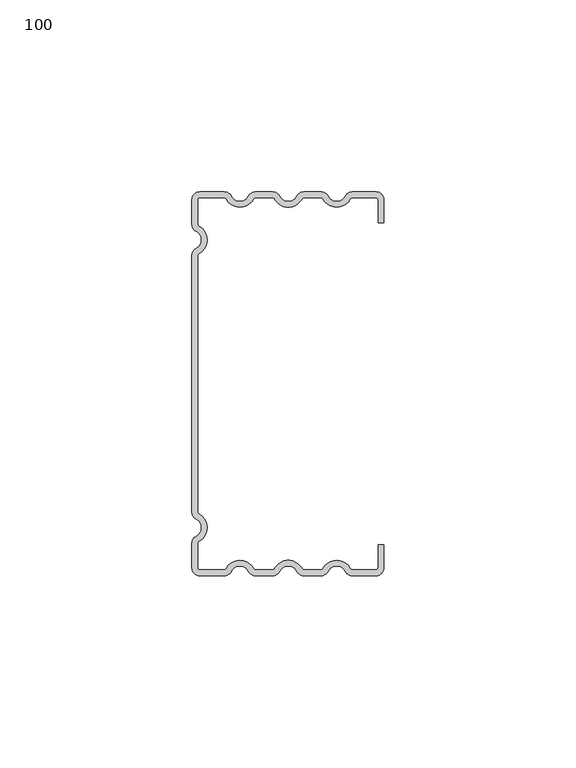
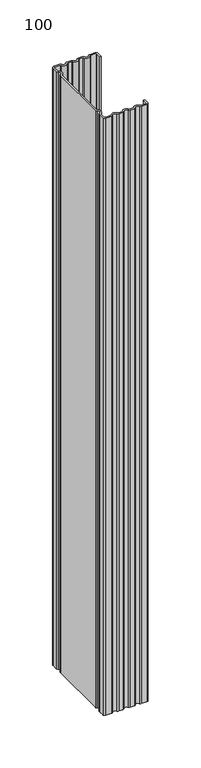
"""IFC4 building model written with IfcOpenShell, lengths in millimetres: proxy geometry, 100."""

from ifc_helpers import new_model, si_unit, point, frame_2d, origin, origin_with_axes, place, context, project, spatial, polyline, circle_curve, trimmed, segment, composite_curve, outline, extrude, source, transform, mapped, element, save


def proxy_100_d57c5b6a(model_context):
    return source(origin(), model_context, "Body", "SweptSolid", [
        extrude(outline(composite_curve([segment(polyline([(50.0, 42.0), (48.5, 42.0), (48.5, 48.0)]), True, "CONTINUOUS"), segment(trimmed(circle_curve(frame_2d((48.0, 48.0)), 0.5), [point((48.5, 48.0))], [point((48.0, 48.5))], True, "CARTESIAN"), True, "CONTINUOUS"), segment(polyline([(48.0, 48.5), (42.0640787, 48.5)]), True, "CONTINUOUS"), segment(trimmed(circle_curve(frame_2d((42.0640787, 47.5)), 1.0), [point((42.0640787, 48.5))], [point((41.1980533, 48.0))], True, "CARTESIAN"), True, "CONTINUOUS"), segment(trimmed(circle_curve(frame_2d((37.7339517, 50.0)), 4.0), [point((41.1980533, 48.0))], [point((34.2698501, 48.0))], False, "CARTESIAN"), True, "CONTINUOUS"), segment(trimmed(circle_curve(frame_2d((33.4038247, 47.5)), 1.0), [point((34.2698501, 48.0))], [point((33.4038247, 48.5))], True, "CARTESIAN"), True, "CONTINUOUS"), segment(polyline([(33.4038247, 48.5), (29.4471029, 48.5)]), True, "CONTINUOUS"), segment(trimmed(circle_curve(frame_2d((29.4471029, 47.5)), 1.0), [point((29.4471029, 48.5))], [point((28.5810775, 48.0))], True, "CARTESIAN"), True, "CONTINUOUS"), segment(trimmed(circle_curve(frame_2d((25.1169759, 50.0)), 4.0), [point((28.5810775, 48.0))], [point((21.6528742, 48.0))], False, "CARTESIAN"), True, "CONTINUOUS"), segment(trimmed(circle_curve(frame_2d((20.7868488, 47.5)), 1.0), [point((21.6528742, 48.0))], [point((20.7868488, 48.5))], True, "CARTESIAN"), True, "CONTINUOUS"), segment(polyline([(20.7868488, 48.5), (16.830127, 48.5)]), True, "CONTINUOUS"), segment(trimmed(circle_curve(frame_2d((16.830127, 47.5)), 1.0), [point((16.830127, 48.5))], [point((15.9641016, 48.0))], True, "CARTESIAN"), True, "CONTINUOUS"), segment(trimmed(circle_curve(frame_2d((12.5, 50.0)), 4.0), [point((15.9641016, 48.0))], [point((9.0358984, 48.0))], False, "CARTESIAN"), True, "CONTINUOUS"), segment(trimmed(circle_curve(frame_2d((8.169873, 47.5)), 1.0), [point((9.0358984, 48.0))], [point((8.169873, 48.5))], True, "CARTESIAN"), True, "CONTINUOUS"), segment(polyline([(8.169873, 48.5), (2.0, 48.5)]), True, "CONTINUOUS"), segment(trimmed(circle_curve(frame_2d((2.0, 48.0)), 0.5), [point((2.0, 48.5))], [point((1.5, 48.0))], True, "CARTESIAN"), True, "CONTINUOUS"), segment(polyline([(1.5, 48.0), (1.5, 41.830127)]), True, "CONTINUOUS"), segment(trimmed(circle_curve(frame_2d((2.5, 41.830127)), 1.0), [point((1.5, 41.830127))], [point((2.0, 40.9641016))], True, "CARTESIAN"), True, "CONTINUOUS"), segment(trimmed(circle_curve(frame_2d((0.0, 37.5)), 4.0), [point((2.0, 40.9641016))], [point((2.0, 34.0358984))], False, "CARTESIAN"), True, "CONTINUOUS"), segment(trimmed(circle_curve(frame_2d((2.5, 33.169873)), 1.0), [point((2.0, 34.0358984))], [point((1.5, 33.169873))], True, "CARTESIAN"), True, "CONTINUOUS"), segment(polyline([(1.5, 33.169873), (1.5, -33.169873)]), True, "CONTINUOUS"), segment(trimmed(circle_curve(frame_2d((2.5, -33.169873)), 1.0), [point((1.5, -33.169873))], [point((2.0, -34.0358984))], True, "CARTESIAN"), True, "CONTINUOUS"), segment(trimmed(circle_curve(frame_2d((0.0, -37.5)), 4.0), [point((2.0, -34.0358984))], [point((2.0, -40.9641016))], False, "CARTESIAN"), True, "CONTINUOUS"), segment(trimmed(circle_curve(frame_2d((2.5, -41.830127)), 1.0), [point((2.0, -40.9641016))], [point((1.5, -41.830127))], True, "CARTESIAN"), True, "CONTINUOUS"), segment(polyline([(1.5, -41.830127), (1.5, -48.0)]), True, "CONTINUOUS"), segment(trimmed(circle_curve(frame_2d((2.0, -48.0)), 0.5), [point((1.5, -48.0))], [point((2.0, -48.5))], True, "CARTESIAN"), True, "CONTINUOUS"), segment(polyline([(2.0, -48.5), (8.169873, -48.5)]), True, "CONTINUOUS"), segment(trimmed(circle_curve(frame_2d((8.169873, -47.5)), 1.0), [point((8.169873, -48.5))], [point((9.0358984, -48.0))], True, "CARTESIAN"), True, "CONTINUOUS"), segment(trimmed(circle_curve(frame_2d((12.5, -50.0)), 4.0), [point((9.0358984, -48.0))], [point((15.9641016, -48.0))], False, "CARTESIAN"), True, "CONTINUOUS"), segment(trimmed(circle_curve(frame_2d((16.830127, -47.5)), 1.0), [point((15.9641016, -48.0))], [point((16.830127, -48.5))], True, "CARTESIAN"), True, "CONTINUOUS"), segment(polyline([(16.830127, -48.5), (20.7868488, -48.5)]), True, "CONTINUOUS"), segment(trimmed(circle_curve(frame_2d((20.7868488, -47.5)), 1.0), [point((20.7868488, -48.5))], [point((21.6528742, -48.0))], True, "CARTESIAN"), True, "CONTINUOUS"), segment(trimmed(circle_curve(frame_2d((25.1169759, -50.0)), 4.0), [point((21.6528742, -48.0))], [point((28.5810775, -48.0))], False, "CARTESIAN"), True, "CONTINUOUS"), segment(trimmed(circle_curve(frame_2d((29.4471029, -47.5)), 1.0), [point((28.5810775, -48.0))], [point((29.4471029, -48.5))], True, "CARTESIAN"), True, "CONTINUOUS"), segment(polyline([(29.4471029, -48.5), (33.4038247, -48.5)]), True, "CONTINUOUS"), segment(trimmed(circle_curve(frame_2d((33.4038247, -47.5)), 1.0), [point((33.4038247, -48.5))], [point((34.2698501, -48.0))], True, "CARTESIAN"), True, "CONTINUOUS"), segment(trimmed(circle_curve(frame_2d((37.7339517, -50.0)), 4.0), [point((34.2698501, -48.0))], [point((41.1980533, -48.0))], False, "CARTESIAN"), True, "CONTINUOUS"), segment(trimmed(circle_curve(frame_2d((42.0640787, -47.5)), 1.0), [point((41.1980533, -48.0))], [point((42.0640787, -48.5))], True, "CARTESIAN"), True, "CONTINUOUS"), segment(polyline([(42.0640787, -48.5), (48.0, -48.5)]), True, "CONTINUOUS"), segment(trimmed(circle_curve(frame_2d((48.0, -48.0)), 0.5), [point((48.0, -48.5))], [point((48.5, -48.0))], True, "CARTESIAN"), True, "CONTINUOUS"), segment(polyline([(48.5, -48.0), (48.5, -42.0), (50.0, -42.0), (50.0, -48.0)]), True, "CONTINUOUS"), segment(trimmed(circle_curve(frame_2d((48.0, -48.0)), 2.0), [point((50.0, -48.0))], [point((48.0, -50.0))], False, "CARTESIAN"), True, "CONTINUOUS"), segment(polyline([(48.0, -50.0), (41.7650806, -50.0)]), True, "CONTINUOUS"), segment(trimmed(circle_curve(frame_2d((41.7650806, -48.0)), 2.0), [point((41.7650806, -50.0))], [point((39.9734678, -48.8888889))], False, "CARTESIAN"), True, "CONTINUOUS"), segment(trimmed(circle_curve(frame_2d((37.7339517, -50.0)), 2.5), [point((39.9734678, -48.8888889))], [point((35.4944357, -48.8888889))], True, "CARTESIAN"), True, "CONTINUOUS"), segment(trimmed(circle_curve(frame_2d((33.7028228, -48.0)), 2.0), [point((35.4944357, -48.8888889))], [point((33.7028228, -50.0))], False, "CARTESIAN"), True, "CONTINUOUS"), segment(polyline([(33.7028228, -50.0), (29.1481047, -50.0)]), True, "CONTINUOUS"), segment(trimmed(circle_curve(frame_2d((29.1481047, -48.0)), 2.0), [point((29.1481047, -50.0))], [point((27.3564919, -48.8888889))], False, "CARTESIAN"), True, "CONTINUOUS"), segment(trimmed(circle_curve(frame_2d((25.1169759, -50.0)), 2.5), [point((27.3564919, -48.8888889))], [point((22.8774598, -48.8888889))], True, "CARTESIAN"), True, "CONTINUOUS"), segment(trimmed(circle_curve(frame_2d((21.085847, -48.0)), 2.0), [point((22.8774598, -48.8888889))], [point((21.085847, -50.0))], False, "CARTESIAN"), True, "CONTINUOUS"), segment(polyline([(21.085847, -50.0), (16.5311289, -50.0)]), True, "CONTINUOUS"), segment(trimmed(circle_curve(frame_2d((16.5311289, -48.0)), 2.0), [point((16.5311289, -50.0))], [point((14.739516, -48.8888889))], False, "CARTESIAN"), True, "CONTINUOUS"), segment(trimmed(circle_curve(frame_2d((12.5, -50.0)), 2.5), [point((14.739516, -48.8888889))], [point((10.260484, -48.8888889))], True, "CARTESIAN"), True, "CONTINUOUS"), segment(trimmed(circle_curve(frame_2d((8.4688711, -48.0)), 2.0), [point((10.260484, -48.8888889))], [point((8.4688711, -50.0))], False, "CARTESIAN"), True, "CONTINUOUS"), segment(polyline([(8.4688711, -50.0), (2.0, -50.0)]), True, "CONTINUOUS"), segment(trimmed(circle_curve(frame_2d((2.0, -48.0)), 2.0), [point((2.0, -50.0))], [point((0.0, -48.0))], False, "CARTESIAN"), True, "CONTINUOUS"), segment(polyline([(0.0, -48.0), (0.0, -41.5311289)]), True, "CONTINUOUS"), segment(trimmed(circle_curve(frame_2d((2.0, -41.5311289)), 2.0), [point((0.0, -41.5311289))], [point((1.1111111, -39.739516))], False, "CARTESIAN"), True, "CONTINUOUS"), segment(trimmed(circle_curve(frame_2d((0.0, -37.5)), 2.5), [point((1.1111111, -39.739516))], [point((1.1111111, -35.260484))], True, "CARTESIAN"), True, "CONTINUOUS"), segment(trimmed(circle_curve(frame_2d((2.0, -33.4688711)), 2.0), [point((1.1111111, -35.260484))], [point((0.0, -33.4688711))], False, "CARTESIAN"), True, "CONTINUOUS"), segment(polyline([(0.0, -33.4688711), (0.0, 33.4688711)]), True, "CONTINUOUS"), segment(trimmed(circle_curve(frame_2d((2.0, 33.4688711)), 2.0), [point((0.0, 33.4688711))], [point((1.1111111, 35.260484))], False, "CARTESIAN"), True, "CONTINUOUS"), segment(trimmed(circle_curve(frame_2d((0.0, 37.5)), 2.5), [point((1.1111111, 35.260484))], [point((1.1111111, 39.739516))], True, "CARTESIAN"), True, "CONTINUOUS"), segment(trimmed(circle_curve(frame_2d((2.0, 41.5311289)), 2.0), [point((1.1111111, 39.739516))], [point((0.0, 41.5311289))], False, "CARTESIAN"), True, "CONTINUOUS"), segment(polyline([(0.0, 41.5311289), (0.0, 48.0)]), True, "CONTINUOUS"), segment(trimmed(circle_curve(frame_2d((2.0, 48.0)), 2.0), [point((0.0, 48.0))], [point((2.0, 50.0))], False, "CARTESIAN"), True, "CONTINUOUS"), segment(polyline([(2.0, 50.0), (8.4688711, 50.0)]), True, "CONTINUOUS"), segment(trimmed(circle_curve(frame_2d((8.4688711, 48.0)), 2.0), [point((8.4688711, 50.0))], [point((10.260484, 48.8888889))], False, "CARTESIAN"), True, "CONTINUOUS"), segment(trimmed(circle_curve(frame_2d((12.5, 50.0)), 2.5), [point((10.260484, 48.8888889))], [point((14.739516, 48.8888889))], True, "CARTESIAN"), True, "CONTINUOUS"), segment(trimmed(circle_curve(frame_2d((16.5311289, 48.0)), 2.0), [point((14.739516, 48.8888889))], [point((16.5311289, 50.0))], False, "CARTESIAN"), True, "CONTINUOUS"), segment(polyline([(16.5311289, 50.0), (21.085847, 50.0)]), True, "CONTINUOUS"), segment(trimmed(circle_curve(frame_2d((21.085847, 48.0)), 2.0), [point((21.085847, 50.0))], [point((22.8774598, 48.8888889))], False, "CARTESIAN"), True, "CONTINUOUS"), segment(trimmed(circle_curve(frame_2d((25.1169759, 50.0)), 2.5), [point((22.8774598, 48.8888889))], [point((27.3564919, 48.8888889))], True, "CARTESIAN"), True, "CONTINUOUS"), segment(trimmed(circle_curve(frame_2d((29.1481047, 48.0)), 2.0), [point((27.3564919, 48.8888889))], [point((29.1481047, 50.0))], False, "CARTESIAN"), True, "CONTINUOUS"), segment(polyline([(29.1481047, 50.0), (33.7028228, 50.0)]), True, "CONTINUOUS"), segment(trimmed(circle_curve(frame_2d((33.7028228, 48.0)), 2.0), [point((33.7028228, 50.0))], [point((35.4944357, 48.8888889))], False, "CARTESIAN"), True, "CONTINUOUS"), segment(trimmed(circle_curve(frame_2d((37.7339517, 50.0)), 2.5), [point((35.4944357, 48.8888889))], [point((39.9734678, 48.8888889))], True, "CARTESIAN"), True, "CONTINUOUS"), segment(trimmed(circle_curve(frame_2d((41.7650806, 48.0)), 2.0), [point((39.9734678, 48.8888889))], [point((41.7650806, 50.0))], False, "CARTESIAN"), True, "CONTINUOUS"), segment(polyline([(41.7650806, 50.0), (48.0, 50.0)]), True, "CONTINUOUS"), segment(trimmed(circle_curve(frame_2d((48.0, 48.0)), 2.0), [point((48.0, 50.0))], [point((50.0, 48.0))], False, "CARTESIAN"), True, "CONTINUOUS"), segment(polyline([(50.0, 48.0), (50.0, 42.0)]), True, "CONTINUOUS")], self_intersect=False)), origin_with_axes(), (0.0, 0.0, 1.0), 700.0),
    ])


if __name__ == "__main__":
    model = new_model("IFC4")
    model_context = context("Model", 3, world=origin())
    ifc_project = project(units=[si_unit("LENGTHUNIT", "METRE", prefix="MILLI")], contexts=[model_context])
    site = spatial("IfcSite", under=ifc_project)
    building = spatial("IfcBuilding", under=site)
    placement = place(None, origin())
    proxy_100_shape = proxy_100_d57c5b6a(model_context)
    element("IfcBuildingElementProxy", 1, Name="100", ObjectType="100", at=placement, inside=building, context=model_context, shape_type="MappedRepresentation", body=[
        mapped(proxy_100_shape, transform((0.0, 0.0, 0.0), x_axis=(1.0, 0.0, 0.0), y_axis=(0.0, 1.0, 0.0), z_axis=(0.0, 0.0, 1.0))),
    ])
    save(model, "model.ifc")
